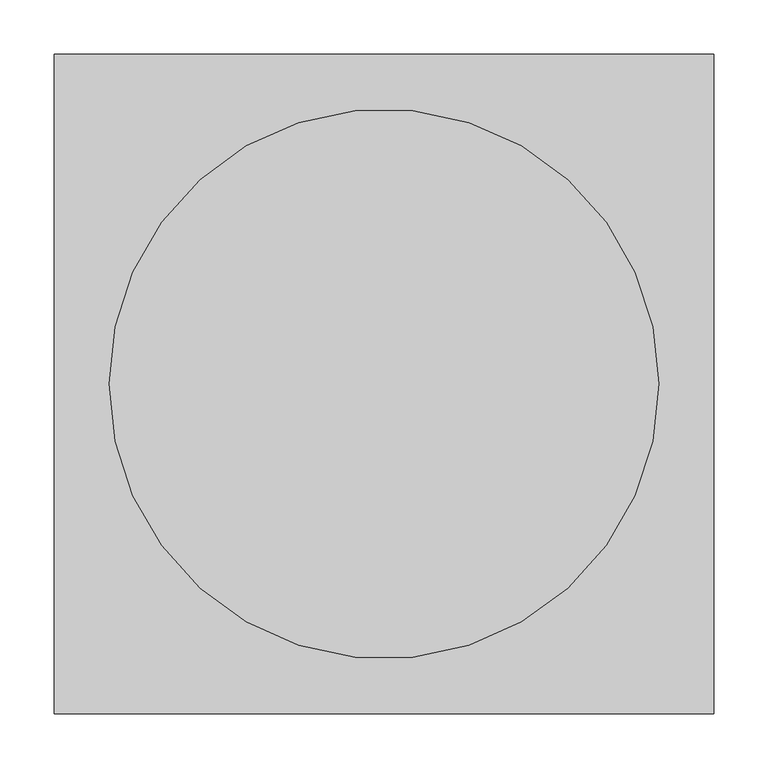
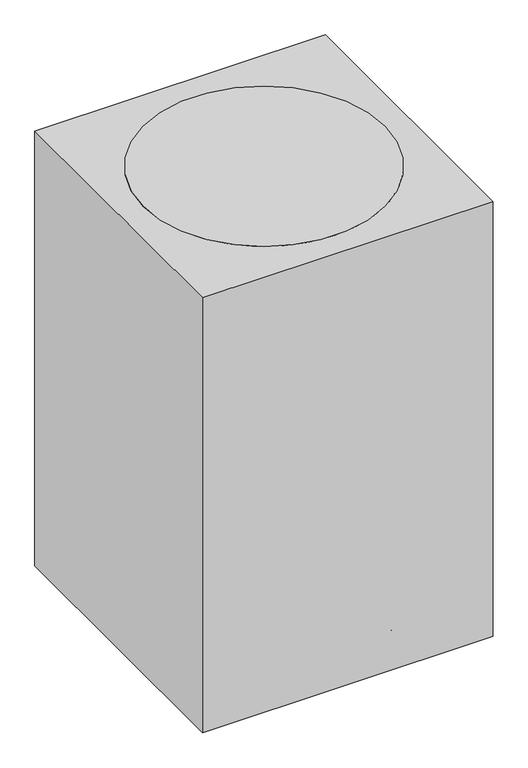
"""IFC4 building model written with IfcOpenShell, lengths in millimetres: proxy geometry."""

import ifcopenshell
import ifcopenshell.guid

model = None  # the IFC model being written
_history = None  # IfcOwnerHistory: only IFC2X3 demands one
_inside = {}  # id of a spatial element -> (the spatial element, [elements in it])
_under = {}  # id of a project, library or spatial element -> (it, [spatial elements below it])
_declared = {}  # id of a project -> (the project, [libraries it declares])
_typed = {}  # id of a type object -> (the type object, [elements of that type])
_made_of = {}  # id of a material, layer set ... -> (it, [elements and type objects made of it])


def new_model(schema):
    """Start an empty IFC model of exactly this schema.

    Asked for "IFC4X3", IfcOpenShell would pick the latest addendum, in which some entities
    have other attributes; the version numbers below select the first issue.
    IFC2X3 requires an IfcOwnerHistory on every rooted entity: one is made here for all.
    """
    global model, _history
    if schema == "IFC4X3":
        model = ifcopenshell.file(schema_version=(4, 3, 0, 0))
    else:
        model = ifcopenshell.file(schema=schema)
    _inside.clear()
    _under.clear()
    _declared.clear()
    _typed.clear()
    _made_of.clear()
    _history = None
    if model.schema == "IFC2X3":
        org = make("IfcOrganization", Name="unknown")
        user = make(
            "IfcPersonAndOrganization",
            ThePerson=make("IfcPerson", FamilyName="unknown"),
            TheOrganization=org,
        )
        app = make(
            "IfcApplication",
            ApplicationDeveloper=org,
            Version="unknown",
            ApplicationFullName="unknown",
            ApplicationIdentifier="unknown",
        )
        _history = make(
            "IfcOwnerHistory",
            OwningUser=user,
            OwningApplication=app,
            ChangeAction="ADDED",
            CreationDate=0,
        )
    return model


def make(cls, **values):
    """One entity of the class cls with the attributes given. An attribute that is None is left unset."""
    return model.create_entity(
        cls, **{name: value for name, value in values.items() if value is not None}
    )


def rooted(cls, **values):
    """An entity with a GlobalId (a new one), such as an element, a storey or a relation."""
    return make(cls, GlobalId=ifcopenshell.guid.new(), OwnerHistory=_history, **values)


def si_unit(unit_type, name, prefix=None):
    """IfcSIUnit, for example si_unit("LENGTHUNIT", "METRE", prefix="MILLI")."""
    return make("IfcSIUnit", UnitType=unit_type, Prefix=prefix, Name=name)


def assignment(units):
    """IfcUnitAssignment: the units of a project."""
    return None if units is None else make("IfcUnitAssignment", Units=units)


def point(xyz):
    """IfcCartesianPoint."""
    return None if xyz is None else make("IfcCartesianPoint", Coordinates=xyz)


def direction(xyz):
    """IfcDirection."""
    return None if xyz is None else make("IfcDirection", DirectionRatios=xyz)


def frame(location, z_axis=None, x_axis=None):
    """IfcAxis2Placement3D, a coordinate frame: its origin and axes. An axis left out is left unset."""
    return make(
        "IfcAxis2Placement3D",
        Location=point(location),
        Axis=direction(z_axis),
        RefDirection=direction(x_axis),
    )


def frame_2d(location, x_axis=None):
    """IfcAxis2Placement2D, a coordinate frame in the plane: its origin and x axis."""
    return make(
        "IfcAxis2Placement2D", Location=point(location), RefDirection=direction(x_axis)
    )


def origin():
    """The frame at (0, 0, 0) with its axes left unset."""
    return frame((0.0, 0.0, 0.0))


def origin_with_axes():
    """The frame at (0, 0, 0) with the z axis (0, 0, 1) and the x axis (1, 0, 0) written out."""
    return frame((0.0, 0.0, 0.0), z_axis=(0.0, 0.0, 1.0), x_axis=(1.0, 0.0, 0.0))


def origin_2d():
    """The frame at (0, 0) in the plane with its x axis left unset."""
    return frame_2d((0.0, 0.0))


def place(relative_to, where):
    """IfcLocalPlacement: puts the frame where relative to a parent placement (None: the world)."""
    return make(
        "IfcLocalPlacement", PlacementRelTo=relative_to, RelativePlacement=where
    )


def context(
    kind, dimensions, precision=None, world=None, true_north=None, identifier=None
):
    """IfcGeometricRepresentationContext, for example the 3D "Model" context."""
    return make(
        "IfcGeometricRepresentationContext",
        ContextIdentifier=identifier,
        ContextType=kind,
        CoordinateSpaceDimension=dimensions,
        Precision=precision,
        WorldCoordinateSystem=world,
        TrueNorth=true_north,
    )


def project(units=None, contexts=None):
    """IfcProject with its units and contexts."""
    return rooted(
        "IfcProject",
        Name="project",
        RepresentationContexts=contexts,
        UnitsInContext=assignment(units),
    )


def spatial(cls, under=None, at=None, **own):
    """A site, building, storey or space (cls), placed at a placement, below another one or the project."""
    s = rooted(cls, ObjectPlacement=at, **own)
    if under is not None:
        _under.setdefault(under.id(), (under, []))[1].append(s)
    return s


def polyline(points):
    """IfcPolyline through the points."""
    return make("IfcPolyline", Points=[point(p) for p in points])


def circle_curve(where, radius):
    """IfcCircle in the frame where."""
    return make("IfcCircle", Position=where, Radius=radius)


def trimmed(basis, trim1, trim2, sense, master):
    """IfcTrimmedCurve: the piece of a basis curve between two trims."""
    return make(
        "IfcTrimmedCurve",
        BasisCurve=basis,
        Trim1=trim1,
        Trim2=trim2,
        SenseAgreement=sense,
        MasterRepresentation=master,
    )


def segment(curve, same_sense, transition):
    """IfcCompositeCurveSegment."""
    return make(
        "IfcCompositeCurveSegment",
        Transition=transition,
        SameSense=same_sense,
        ParentCurve=curve,
    )


def composite_curve(segments, self_intersect=None):
    """IfcCompositeCurve: segments joined end to end."""
    return make("IfcCompositeCurve", Segments=segments, SelfIntersect=self_intersect)


def outline(outer, holes=None, kind="AREA"):
    """IfcArbitraryClosedProfileDef: a profile drawn as a closed curve; with holes, ...WithVoids."""
    if holes is None:
        return make("IfcArbitraryClosedProfileDef", ProfileType=kind, OuterCurve=outer)
    return make(
        "IfcArbitraryProfileDefWithVoids",
        ProfileType=kind,
        OuterCurve=outer,
        InnerCurves=holes,
    )


def extrude(swept, where, along, depth):
    """IfcExtrudedAreaSolid: the profile swept, set in the frame where, extruded along a direction by depth."""
    return make(
        "IfcExtrudedAreaSolid",
        SweptArea=swept,
        Position=where,
        ExtrudedDirection=direction(along),
        Depth=depth,
    )


def shape(context_of_items, identifier, shape_type, items):
    """IfcShapeRepresentation: the items that make up one representation, for example the "Body"."""
    return make(
        "IfcShapeRepresentation",
        ContextOfItems=context_of_items,
        RepresentationIdentifier=identifier,
        RepresentationType=shape_type,
        Items=items,
    )


def source(mapping_origin, context_of_items, identifier, shape_type, items):
    """IfcRepresentationMap: a shape defined once, which mapped items show again and again."""
    return make(
        "IfcRepresentationMap",
        MappingOrigin=mapping_origin,
        MappedRepresentation=shape(context_of_items, identifier, shape_type, items),
    )


def transform(
    local_origin,
    x_axis=None,
    y_axis=None,
    z_axis=None,
    scale=None,
    scale2=None,
    scale3=None,
    uniform=True,
):
    """IfcCartesianTransformationOperator3D, or its non-uniform kind. x_axis, y_axis, z_axis: its Axis1, 2, 3."""
    if uniform:
        return make(
            "IfcCartesianTransformationOperator3D",
            Axis1=direction(x_axis),
            Axis2=direction(y_axis),
            LocalOrigin=point(local_origin),
            Scale=scale,
            Axis3=direction(z_axis),
        )
    return make(
        "IfcCartesianTransformationOperator3DnonUniform",
        Axis1=direction(x_axis),
        Axis2=direction(y_axis),
        LocalOrigin=point(local_origin),
        Scale=scale,
        Axis3=direction(z_axis),
        Scale2=scale2,
        Scale3=scale3,
    )


def mapped(mapping_source, mapping_target):
    """IfcMappedItem: shows the shape of a source again, moved by a transform."""
    return make(
        "IfcMappedItem", MappingSource=mapping_source, MappingTarget=mapping_target
    )


def made_of(thing, what):
    """Note that an element or type object is made of a material, layer set ...; save() writes the relation."""
    if what is not None:
        _made_of.setdefault(what.id(), (what, []))[1].append(thing)
    return thing


def element(
    cls,
    number,
    at=None,
    inside=None,
    cuts=None,
    type_object=None,
    material=None,
    context=None,
    identifier="Body",
    shape_type=None,
    held_by="IfcProductDefinitionShape",
    body=None,
    shapes=None,
    **own,
):
    """One element of the class cls, such as IfcWall. Its Tag is "e" and its number.

    at: its placement. inside: the storey or other place that contains it. cuts: it is an
    opening in that element (IfcRelVoidsElement). A single representation is given by context,
    identifier, shape_type and body (its items); several are given by shapes. held_by: the class
    of the entity that holds the representations. save() writes the other relations.
    """
    e = rooted(cls, Tag="e%d" % number, ObjectPlacement=at, **own)
    if body is not None:
        shapes = [shape(context, identifier, shape_type, body)]
    if shapes is not None:
        e.Representation = make(held_by, Representations=shapes)
    if inside is not None:
        _inside.setdefault(inside.id(), (inside, []))[1].append(e)
    if cuts is not None:
        rooted(
            "IfcRelVoidsElement", RelatingBuildingElement=cuts, RelatedOpeningElement=e
        )
    if type_object is not None:
        _typed.setdefault(type_object.id(), (type_object, []))[1].append(e)
    return made_of(e, material)


def aggregate(whole, parts):
    """IfcRelAggregates: a whole, such as a stair, and the parts it consists of."""
    return rooted("IfcRelAggregates", RelatingObject=whole, RelatedObjects=parts)


def save(model, path):
    """Write the relations noted so far, then the file.

    IfcRelAggregates (storeys below a building ...), IfcRelContainedInSpatialStructure (elements
    in a storey), IfcRelDefinesByType, IfcRelAssociatesMaterial and IfcRelDeclares: one each for
    every whole, place, type object, material and project.
    """
    for whole, parts in _under.values():
        aggregate(whole, parts)
    for where, things in _inside.values():
        rooted(
            "IfcRelContainedInSpatialStructure",
            RelatedElements=things,
            RelatingStructure=where,
        )
    for kind, things in _typed.values():
        rooted("IfcRelDefinesByType", RelatedObjects=things, RelatingType=kind)
    for what, things in _made_of.values():
        rooted("IfcRelAssociatesMaterial", RelatedObjects=things, RelatingMaterial=what)
    for by, libraries in _declared.values():
        rooted("IfcRelDeclares", RelatingContext=by, RelatedDefinitions=libraries)
    model.write(path)


def specialty_equipment_b6c2791e(model_context):
    return source(origin(), model_context, "Body", "SweptSolid", [
        extrude(outline(composite_curve([segment(trimmed(circle_curve(frame_2d((0.0, -25.7612183)), 25.7612183), [point((0.0, -51.5224365))], [point((0.0, 0.0))], False, "CARTESIAN"), True, "CONTINUOUS"), segment(trimmed(circle_curve(frame_2d((0.0, -25.7612183)), 25.7612183), [point((0.0, 0.0))], [point((0.0, -51.5224365))], False, "CARTESIAN"), True, "CONTINUOUS")], self_intersect=False)), frame((203.8559823, 49.544861, 25.7612183), z_axis=(-0.3090169943748919, 0.9510565162951716, 0.0), x_axis=(0.0, 0.0, -1.0)), (0.0, 0.0, 1.0), 31.75),
        extrude(outline(composite_curve([segment(polyline([(-57.1058784, 0.0), (-0.678315, 0.0)]), True, "CONTINUOUS"), segment(trimmed(circle_curve(frame_2d((-28.8920968, 0.0)), 28.2137817), [point((-0.678315, 0.0))], [point((-57.1058784, 0.0))], False, "CARTESIAN"), True, "CONTINUOUS")], self_intersect=False)), frame((256.8155026, 63.4140597, 25.7612183), z_axis=(-0.30901699437489183, 0.9510565162951716, 0.0), x_axis=(0.9510565162951716, 0.30901699437489183, 0.0)), (0.0, 0.0, 1.0), 38.1),
        extrude(outline(composite_curve([segment(trimmed(circle_curve(frame_2d((223.4509477, 72.6028121)), 3.5091751), [point((222.3665529, 75.940236))], [point((224.5353424, 69.2653883))], False, "CARTESIAN"), True, "CONTINUOUS"), segment(trimmed(circle_curve(frame_2d((223.4509477, 72.6028121)), 3.5091751), [point((224.5353424, 69.2653883))], [point((222.3665529, 75.940236))], False, "CARTESIAN"), True, "CONTINUOUS")], self_intersect=False)), frame((0.0, 0.0, 53.975), z_axis=(0.0, 0.0, 1.0), x_axis=(1.0, 0.0, 0.0)), (0.0, 0.0, 1.0), 13.49375),
        extrude(outline(polyline([(230.0293313, 68.0638809), (25.3978935, 1.5750963), (21.4736172, 13.6527769), (226.105055, 80.1415615), (230.0293313, 68.0638809)])), frame((0.0, 0.0, 67.46875), z_axis=(0.0, 0.0, 1.0), x_axis=(1.0, 0.0, 0.0)), (0.0, 0.0, 1.0), 50.8),
        extrude(outline(composite_curve([segment(trimmed(circle_curve(frame_2d((0.0, -25.7612182)), 25.7612183), [point((0.0, -51.5224365))], [point((0.0, 0.0))], False, "CARTESIAN"), True, "CONTINUOUS"), segment(trimmed(circle_curve(frame_2d((0.0, -25.7612182)), 25.7612183), [point((0.0, 0.0))], [point((0.0, -51.5224365))], False, "CARTESIAN"), True, "CONTINUOUS")], self_intersect=False)), frame((110.1149259, -178.5683563, 25.7612183), z_axis=(0.8090169943749846, 0.5877852522924221, 0.0), x_axis=(0.0, 0.0, -1.0)), (0.0, 0.0, 1.0), 31.75),
        extrude(outline(composite_curve([segment(polyline([(-57.1058785, 0.0), (-0.6783149, 0.0)]), True, "CONTINUOUS"), segment(trimmed(circle_curve(frame_2d((-28.8920966, 0.0)), 28.2137817), [point((-0.6783149, 0.0))], [point((-57.1058785, 0.0))], False, "CARTESIAN"), True, "CONTINUOUS")], self_intersect=False)), frame((139.6707094, -224.6500351, 25.7612183), z_axis=(0.8090169943749845, 0.5877852522924222, 0.0), x_axis=(0.5877852522924222, -0.8090169943749845, 0.0)), (0.0, 0.0, 1.0), 38.1),
        extrude(outline(composite_curve([segment(trimmed(circle_curve(frame_2d((138.0995178, -190.0789771)), 3.5091751), [point((140.9385001, -188.0163357))], [point((135.2605355, -192.1416185))], False, "CARTESIAN"), True, "CONTINUOUS"), segment(trimmed(circle_curve(frame_2d((138.0995178, -190.0789771)), 3.5091751), [point((135.2605355, -192.1416185))], [point((140.9385001, -188.0163357))], False, "CARTESIAN"), True, "CONTINUOUS")], self_intersect=False)), frame((0.0, 0.0, 53.975), z_axis=(0.0, 0.0, 1.0), x_axis=(1.0, 0.0, 0.0)), (0.0, 0.0, 1.0), 13.49375),
        extrude(outline(polyline([(135.81557, -197.7379985), (9.3463863, -23.6681006), (19.620275, -16.2036835), (146.0894588, -190.2735815), (135.81557, -197.7379985)])), frame((0.0, 0.0, 67.46875), z_axis=(0.0, 0.0, 1.0), x_axis=(1.0, 0.0, 0.0)), (0.0, 0.0, 1.0), 50.8),
        extrude(outline(composite_curve([segment(trimmed(circle_curve(frame_2d((0.0, -25.7612182)), 25.7612183), [point((0.0, -51.5224365))], [point((0.0, 0.0))], False, "CARTESIAN"), True, "CONTINUOUS"), segment(trimmed(circle_curve(frame_2d((0.0, -25.7612182)), 25.7612183), [point((0.0, 0.0))], [point((0.0, -51.5224365))], False, "CARTESIAN"), True, "CONTINUOUS")], self_intersect=False)), frame((-110.1149259, -178.5683563, 25.7612183), z_axis=(-0.8090169943749151, 0.5877852522925178, 0.0), x_axis=(0.0, 0.0, 1.0)), (0.0, 0.0, 1.0), 31.75),
        extrude(outline(composite_curve([segment(trimmed(circle_curve(frame_2d((28.8920966, 0.0)), 28.2137817), [point((57.1058785, 0.0))], [point((0.6783149, 0.0))], False, "CARTESIAN"), True, "CONTINUOUS"), segment(polyline([(0.6783149, 0.0), (57.1058785, 0.0)]), True, "CONTINUOUS")], self_intersect=False)), frame((-139.6707094, -224.6500351, 25.7612183), z_axis=(-0.809016994374915, 0.5877852522925177, 0.0), x_axis=(0.5877852522925177, 0.809016994374915, 0.0)), (0.0, 0.0, 1.0), 38.1),
        extrude(outline(composite_curve([segment(trimmed(circle_curve(frame_2d((-138.1007518, -190.0780805)), 3.5091751), [point((-135.2617695, -192.1407219))], [point((-140.9397341, -188.0154391))], False, "CARTESIAN"), True, "CONTINUOUS"), segment(trimmed(circle_curve(frame_2d((-138.1007518, -190.0780805)), 3.5091751), [point((-140.9397341, -188.0154391))], [point((-135.2617695, -192.1407219))], False, "CARTESIAN"), True, "CONTINUOUS")], self_intersect=False)), frame((0.0, 0.0, 53.975), z_axis=(0.0, 0.0, 1.0), x_axis=(1.0, 0.0, 0.0)), (0.0, 0.0, 1.0), 13.49375),
        extrude(outline(polyline([(-146.0906928, -190.2726849), (-19.6215091, -16.2027869), (-9.3476203, -23.667204), (-135.8168041, -197.737102), (-146.0906928, -190.2726849)])), frame((0.0, 0.0, 67.46875), z_axis=(0.0, 0.0, 1.0), x_axis=(1.0, 0.0, 0.0)), (0.0, 0.0, 1.0), 50.8),
        extrude(outline(composite_curve([segment(trimmed(circle_curve(frame_2d((0.0, -25.7612183)), 25.7612183), [point((0.0, -51.5224365))], [point((0.0, 0.0))], False, "CARTESIAN"), True, "CONTINUOUS"), segment(trimmed(circle_curve(frame_2d((0.0, -25.7612183)), 25.7612183), [point((0.0, 0.0))], [point((0.0, -51.5224365))], False, "CARTESIAN"), True, "CONTINUOUS")], self_intersect=False)), frame((-203.8559823, 49.544861, 25.7612183), z_axis=(0.3090169943749793, 0.9510565162951433, 0.0), x_axis=(0.0, 0.0, 1.0)), (0.0, 0.0, 1.0), 31.75),
        extrude(outline(composite_curve([segment(trimmed(circle_curve(frame_2d((28.8920968, 0.0)), 28.2137817), [point((57.1058784, 0.0))], [point((0.678315, 0.0))], False, "CARTESIAN"), True, "CONTINUOUS"), segment(polyline([(0.678315, 0.0), (57.1058784, 0.0)]), True, "CONTINUOUS")], self_intersect=False)), frame((-256.8155026, 63.4140597, 25.7612183), z_axis=(0.3090169943749793, 0.9510565162951433, 0.0), x_axis=(0.9510565162951433, -0.3090169943749793, 0.0)), (0.0, 0.0, 1.0), 38.1),
        extrude(outline(composite_curve([segment(trimmed(circle_curve(frame_2d((-223.4504763, 72.6042628)), 3.5091751), [point((-224.5348711, 69.266839))], [point((-222.3660816, 75.9416867))], False, "CARTESIAN"), True, "CONTINUOUS"), segment(trimmed(circle_curve(frame_2d((-223.4504763, 72.6042628)), 3.5091751), [point((-222.3660816, 75.9416867))], [point((-224.5348711, 69.266839))], False, "CARTESIAN"), True, "CONTINUOUS")], self_intersect=False)), frame((0.0, 0.0, 53.975), z_axis=(0.0, 0.0, 1.0), x_axis=(1.0, 0.0, 0.0)), (0.0, 0.0, 1.0), 13.49375),
        extrude(outline(polyline([(-226.1045836, 80.1430121), (-21.4731458, 13.6542275), (-25.3974221, 1.576547), (-230.0288599, 68.0653316), (-226.1045836, 80.1430121)])), frame((0.0, 0.0, 67.46875), z_axis=(0.0, 0.0, 1.0), x_axis=(1.0, 0.0, 0.0)), (0.0, 0.0, 1.0), 50.8),
        extrude(outline(composite_curve([segment(trimmed(circle_curve(frame_2d((234.9499827, 25.7612183)), 25.7612183), [point((260.7112009, 25.7612183))], [point((209.1887644, 25.7612183))], False, "CARTESIAN"), True, "CONTINUOUS"), segment(trimmed(circle_curve(frame_2d((234.9499827, 25.7612183)), 25.7612183), [point((209.1887644, 25.7612183))], [point((260.7112009, 25.7612183))], False, "CARTESIAN"), True, "CONTINUOUS")], self_intersect=False)), frame((-15.875, 0.0, 0.0), z_axis=(1.0, 0.0, 0.0), x_axis=(0.0, 1.0, 0.0)), (0.0, 0.0, 1.0), 31.75),
        extrude(outline(composite_curve([segment(trimmed(circle_curve(frame_2d((234.9499827, 25.7612183)), 28.2137817), [point((206.7362009, 25.7612183))], [point((263.1637644, 25.7612183))], False, "CARTESIAN"), True, "CONTINUOUS"), segment(polyline([(263.1637644, 25.7612183), (206.7362009, 25.7612183)]), True, "CONTINUOUS")], self_intersect=False)), frame((-19.05, 0.0, 0.0), z_axis=(1.0, 0.0, 0.0), x_axis=(0.0, 1.0, 0.0)), (0.0, 0.0, 1.0), 38.1),
        extrude(outline(composite_curve([segment(trimmed(circle_curve(frame_2d((0.0007627, 234.9499827)), 3.5091751), [point((-3.5084124, 234.9499827))], [point((3.5099378, 234.9499827))], False, "CARTESIAN"), True, "CONTINUOUS"), segment(trimmed(circle_curve(frame_2d((0.0007627, 234.9499827)), 3.5091751), [point((3.5099378, 234.9499827))], [point((-3.5084124, 234.9499827))], False, "CARTESIAN"), True, "CONTINUOUS")], self_intersect=False)), frame((0.0, 0.0, 53.975), z_axis=(0.0, 0.0, 1.0), x_axis=(1.0, 0.0, 0.0)), (0.0, 0.0, 1.0), 13.49375),
        extrude(outline(polyline([(6.3503751, 239.8037904), (6.3503751, 24.6415636), (-6.3488498, 24.6415636), (-6.3488498, 239.8037904), (6.3503751, 239.8037904)])), frame((0.0, 0.0, 67.46875), z_axis=(0.0, 0.0, 1.0), x_axis=(1.0, 0.0, 0.0)), (0.0, 0.0, 1.0), 50.8),
        extrude(outline(composite_curve([segment(trimmed(circle_curve(origin_2d(), 25.4466483), [point((-25.4466483, 0.0))], [point((25.4466483, 0.0))], False, "CARTESIAN"), True, "CONTINUOUS"), segment(trimmed(circle_curve(origin_2d(), 25.4466483), [point((25.4466483, 0.0))], [point((-25.4466483, 0.0))], False, "CARTESIAN"), True, "CONTINUOUS")], self_intersect=False)), frame((0.0, 0.0, 67.46875), z_axis=(0.0, 0.0, 1.0), x_axis=(1.0, 0.0, 0.0)), (0.0, 0.0, 1.0), 846.93125),
        extrude(outline(composite_curve([segment(trimmed(circle_curve(origin_2d(), 254.0), [point((-254.0, 0.0))], [point((254.0, 0.0))], False, "CARTESIAN"), True, "CONTINUOUS"), segment(trimmed(circle_curve(origin_2d(), 254.0), [point((254.0, 0.0))], [point((-254.0, 0.0))], False, "CARTESIAN"), True, "CONTINUOUS")], self_intersect=False)), frame((0.0, 0.0, 914.4), z_axis=(0.0, 0.0, 1.0), x_axis=(1.0, 0.0, 0.0)), (0.0, 0.0, 1.0), 50.8),
        extrude(outline(polyline([(304.8, 304.8), (304.8, -304.8), (-304.8, -304.8), (-304.8, 304.8), (304.8, 304.8)])), origin_with_axes(), (0.0, 0.0, 1.0), 965.2),
    ])


if __name__ == "__main__":
    model = new_model("IFC4")
    model_context = context("Model", 3, world=origin())
    ifc_project = project(units=[si_unit("LENGTHUNIT", "METRE", prefix="MILLI")], contexts=[model_context])
    site = spatial("IfcSite", under=ifc_project)
    building = spatial("IfcBuilding", under=site)
    placement = place(None, origin())
    specialty_equipment_shape = specialty_equipment_b6c2791e(model_context)
    element("IfcBuildingElementProxy", 1, Name="Specialty Equipment", at=placement, inside=building, context=model_context, shape_type="MappedRepresentation", body=[
        mapped(specialty_equipment_shape, transform((0.0, 0.0, 0.0), x_axis=(1.0, 0.0, 0.0), y_axis=(0.0, 1.0, 0.0), z_axis=(0.0, 0.0, 1.0))),
    ])
    save(model, "model.ifc")
